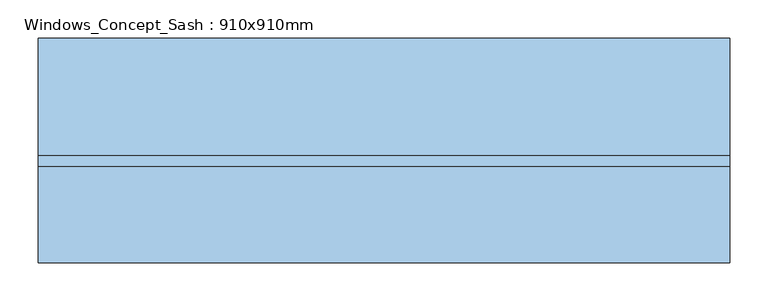
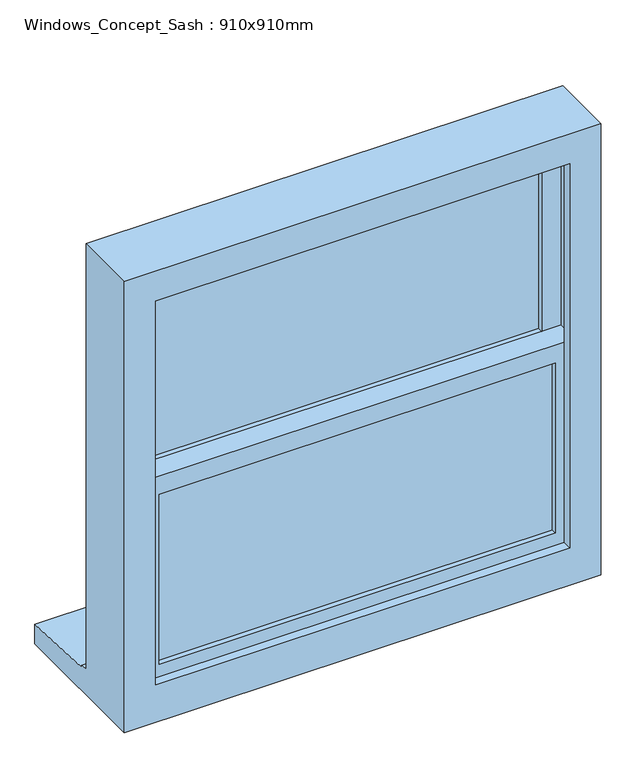
"""IFC4 building model written with IfcOpenShell, lengths in millimetres: window geometry, Windows_Concept_Sash : 910x910mm."""

from ifc_helpers import new_model, si_unit, frame, origin, place, context, project, spatial, polyline, outline, extrude, faceted_brep, source, transform, mapped, element, save


def windows_concept_sash_910x910mm_740e0961(model_context):
    return source(origin(), model_context, "Body", "SolidModel", [
        extrude(outline(polyline([(102.9289322, -26.0434322), (-672.9289322, -26.0434322), (-672.9289322, -2.0434322), (102.9289322, -2.0434322), (102.9289322, -26.0434322)])), frame((0.0, 0.0, 1669.5710678), z_axis=(0.0, 0.0, 1.0), x_axis=(1.0, 0.0, 0.0)), (0.0, 0.0, 1.0), 373.3578644),
        extrude(outline(polyline([(102.9289322, -71.0434322), (-672.9289322, -71.0434322), (-672.9289322, -47.0434322), (102.9289322, -47.0434322), (102.9289322, -71.0434322)])), frame((0.0, 0.0, 1290.0710678), z_axis=(0.0, 0.0, 1.0), x_axis=(1.0, 0.0, 0.0)), (0.0, 0.0, 1.0), 362.8578644),
        faceted_brep([(-740.0, -99.5434322, 1200.0), (170.0, -99.5434322, 1200.0), (170.0, -99.5434322, 2110.0), (-740.0, -99.5434322, 2110.0), (-680.0, -99.5434322, 2050.0), (110.0, -99.5434322, 2050.0), (110.0, -99.5434322, 1275.0), (-680.0, -99.5434322, 1275.0), (-740.0, 26.4565678, 2110.0), (-740.0, 26.4565678, 1251.0), (-740.0, 41.4565678, 1250.2709278), (-740.0, 41.4565678, 1246.5550779), (-740.0, 195.9565678, 1239.352342), (-740.0, 195.9565678, 1200.0), (170.0, 26.4565678, 2110.0), (170.0, 26.4565678, 1251.0), (-680.0, 26.4565678, 2050.0), (-680.0, 26.4565678, 1263.0), (110.0, 26.4565678, 1263.0), (110.0, 26.4565678, 2050.0), (-680.0, 8.4565678, 2050.0), (-680.0, 8.4565678, 1263.0), (110.0, 8.4565678, 2050.0), (110.0, 8.4565678, 1263.0), (130.0, 8.4565678, 1263.0), (130.0, 8.4565678, 2070.0), (-700.0, 8.4565678, 2070.0), (-700.0, 8.4565678, 1263.0), (-700.0, -81.5434322, 2070.0), (-700.0, -81.5434322, 1263.0), (130.0, -81.5434322, 2070.0), (130.0, -81.5434322, 1263.0), (-680.0, -81.5434322, 2050.0), (-680.0, -81.5434322, 1275.0), (110.0, -81.5434322, 1275.0), (110.0, -81.5434322, 2050.0), (170.0, 195.9565678, 1200.0), (170.0, 195.9565678, 1239.352342), (170.0, 41.4565678, 1246.5550779), (170.0, 41.4565678, 1250.2709278)], [[[0, 1, 2, 3], [4, 5, 6, 7]], [[0, 3, 8, 9, 10, 11, 12, 13]], [[9, 8, 14, 15], [16, 17, 18, 19]], [[17, 16, 20, 21]], [[21, 20, 22, 23, 24, 25, 26, 27]], [[27, 26, 28, 29]], [[28, 30, 31, 29], [32, 33, 34, 35]], [[32, 4, 7, 33]], [[3, 2, 14, 8]], [[16, 19, 22, 20]], [[26, 25, 30, 28]], [[5, 4, 32, 35]], [[15, 14, 2, 1, 36, 37, 38, 39]], [[19, 18, 23, 22]], [[25, 24, 31, 30]], [[5, 35, 34, 6]], [[36, 1, 0, 13]], [[37, 36, 13, 12]], [[38, 37, 12, 11]], [[39, 38, 11, 10]], [[15, 39, 10, 9]], [[29, 31, 24, 23, 18, 17, 21, 27]], [[7, 6, 34, 33]]]),
        faceted_brep([(-700.0, -36.5434322, 2070.0), (-700.0, 8.4565678, 2070.0), (-700.0, 8.4565678, 1642.5), (-700.0, -36.5434322, 1642.5), (-662.9289322, -26.0434322, 2032.9289322), (-662.9289322, -36.5434322, 2032.9289322), (-662.9289322, -36.5434322, 1679.5710678), (-662.9289322, -26.0434322, 1679.5710678), (-672.9289322, -2.0434322, 2042.9289322), (-672.9289322, -26.0434322, 2042.9289322), (-672.9289322, -26.0434322, 1669.5710678), (-672.9289322, -2.0434322, 1669.5710678), (-662.9289322, 8.4565678, 2032.9289322), (-662.9289322, -2.0434322, 2032.9289322), (-662.9289322, -2.0434322, 1679.5710678), (-662.9289322, 8.4565678, 1679.5710678), (130.0, 8.4565678, 1642.5), (130.0, -36.5434322, 1642.5), (92.9289322, -36.5434322, 1679.5710678), (92.9289322, -26.0434322, 1679.5710678), (102.9289322, -26.0434322, 1669.5710678), (102.9289322, -2.0434322, 1669.5710678), (92.9289322, -2.0434322, 1679.5710678), (92.9289322, 8.4565678, 1679.5710678), (130.0, 8.4565678, 2070.0), (130.0, -36.5434322, 2070.0), (92.9289322, -36.5434322, 2032.9289322), (92.9289322, -26.0434322, 2032.9289322), (102.9289322, -26.0434322, 2042.9289322), (102.9289322, -2.0434322, 2042.9289322), (92.9289322, -2.0434322, 2032.9289322), (92.9289322, 8.4565678, 2032.9289322)], [[[0, 1, 2, 3]], [[4, 5, 6, 7]], [[8, 9, 10, 11]], [[12, 13, 14, 15]], [[3, 2, 16, 17]], [[7, 6, 18, 19]], [[11, 10, 20, 21]], [[15, 14, 22, 23]], [[17, 16, 24, 25]], [[19, 18, 26, 27]], [[21, 20, 28, 29]], [[23, 22, 30, 31]], [[25, 24, 1, 0]], [[3, 17, 25, 0], [5, 26, 18, 6]], [[27, 26, 5, 4]], [[9, 28, 20, 10], [7, 19, 27, 4]], [[29, 28, 9, 8]], [[11, 21, 29, 8], [13, 30, 22, 14]], [[31, 30, 13, 12]], [[1, 24, 16, 2], [15, 23, 31, 12]]]),
        faceted_brep([(-700.0, -81.5434322, 1680.0), (-700.0, -36.5434322, 1680.0), (-700.0, -36.5434322, 1263.0), (-700.0, -81.5434322, 1263.0), (-662.9289322, -71.0434322, 1642.9289322), (-662.9289322, -81.5434322, 1642.9289322), (-662.9289322, -81.5434322, 1300.0710678), (-662.9289322, -71.0434322, 1300.0710678), (-672.9289322, -47.0434322, 1652.9289322), (-672.9289322, -71.0434322, 1652.9289322), (-672.9289322, -71.0434322, 1290.0710678), (-672.9289322, -47.0434322, 1290.0710678), (-662.9289322, -36.5434322, 1642.9289322), (-662.9289322, -47.0434322, 1642.9289322), (-662.9289322, -47.0434322, 1300.0710678), (-662.9289322, -36.5434322, 1300.0710678), (130.0, -36.5434322, 1263.0), (130.0, -81.5434322, 1263.0), (92.9289322, -81.5434322, 1300.0710678), (92.9289322, -71.0434322, 1300.0710678), (102.9289322, -71.0434322, 1290.0710678), (102.9289322, -47.0434322, 1290.0710678), (92.9289322, -47.0434322, 1300.0710678), (92.9289322, -36.5434322, 1300.0710678), (130.0, -36.5434322, 1680.0), (130.0, -81.5434322, 1680.0), (92.9289322, -81.5434322, 1642.9289322), (92.9289322, -71.0434322, 1642.9289322), (102.9289322, -71.0434322, 1652.9289322), (102.9289322, -47.0434322, 1652.9289322), (92.9289322, -47.0434322, 1642.9289322), (92.9289322, -36.5434322, 1642.9289322)], [[[0, 1, 2, 3]], [[4, 5, 6, 7]], [[8, 9, 10, 11]], [[12, 13, 14, 15]], [[3, 2, 16, 17]], [[7, 6, 18, 19]], [[11, 10, 20, 21]], [[15, 14, 22, 23]], [[17, 16, 24, 25]], [[19, 18, 26, 27]], [[21, 20, 28, 29]], [[23, 22, 30, 31]], [[25, 24, 1, 0]], [[3, 17, 25, 0], [5, 26, 18, 6]], [[27, 26, 5, 4]], [[9, 28, 20, 10], [7, 19, 27, 4]], [[29, 28, 9, 8]], [[11, 21, 29, 8], [13, 30, 22, 14]], [[31, 30, 13, 12]], [[1, 24, 16, 2], [15, 23, 31, 12]]]),
    ])


if __name__ == "__main__":
    model = new_model("IFC4")
    model_context = context("Model", 3, world=origin())
    ifc_project = project(units=[si_unit("LENGTHUNIT", "METRE", prefix="MILLI")], contexts=[model_context])
    site = spatial("IfcSite", under=ifc_project)
    building = spatial("IfcBuilding", under=site)
    placement = place(None, origin())
    windows_concept_sash_910x910mm_shape = windows_concept_sash_910x910mm_740e0961(model_context)
    element("IfcWindow", 1, ObjectType="Windows_Concept_Sash : 910x910mm", at=placement, inside=building, context=model_context, shape_type="MappedRepresentation", body=[
        mapped(windows_concept_sash_910x910mm_shape, transform((0.0, 0.0, 0.0), x_axis=(1.0, 0.0, 0.0), y_axis=(0.0, 1.0, 0.0), z_axis=(0.0, 0.0, 1.0))),
    ])
    save(model, "model.ifc")
